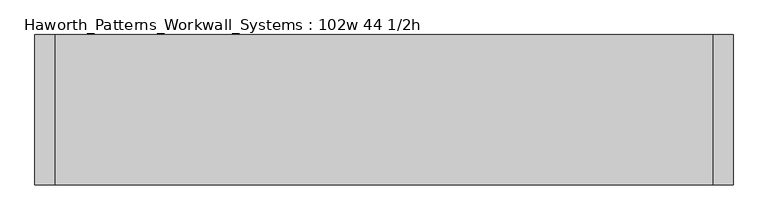
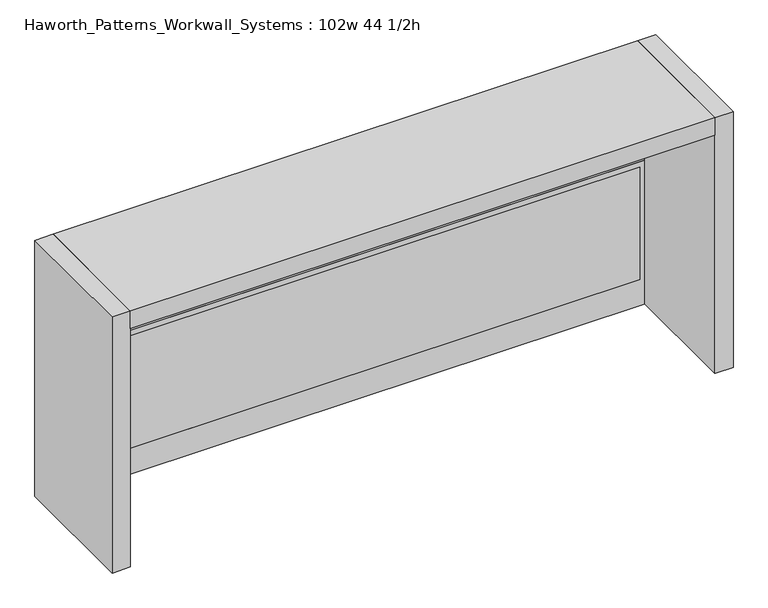
"""IFC4 building model written with IfcOpenShell, lengths in millimetres: furniture geometry, Haworth_Patterns_Workwall_Systems : 102w 44 1/2h."""

from ifc_helpers import new_model, si_unit, frame, origin, origin_with_axes, place, context, project, spatial, polyline, outline, extrude, source, transform, mapped, element, save


def haworth_patterns_workwall_systems_102w_44_1_2h_b9994f10(model_context):
    return source(origin(), model_context, "Body", "SweptSolid", [
        extrude(outline(polyline([(1054.1, 609.6), (1054.1, -1828.8), (635.0, -1828.8), (635.0, 609.6), (1054.1, 609.6)]), holes=[polyline([(1035.05, 590.55), (654.05, 590.55), (654.05, -1809.75), (1035.05, -1809.75), (1035.05, 590.55)])]), frame((0.0, 330.2, 0.0), z_axis=(0.0, 1.0, 0.0), x_axis=(0.0, 0.0, 1.0)), (0.0, 0.0, 1.0), 25.4),
        extrude(outline(polyline([(590.55, 330.2), (-1809.75, 330.2), (-1809.75, 355.6), (590.55, 355.6), (590.55, 330.2)])), frame((0.0, 0.0, 114.3), z_axis=(0.0, 0.0, 1.0), x_axis=(1.0, 0.0, 0.0)), (0.0, 0.0, 1.0), 495.3),
        extrude(outline(polyline([(635.0, 609.6), (635.0, -1828.8), (0.0, -1828.8), (0.0, 609.6), (635.0, 609.6)]), holes=[polyline([(609.6, 590.55), (114.3, 590.55), (114.3, -1809.75), (609.6, -1809.75), (609.6, 590.55)])]), frame((0.0, 330.2, 0.0), z_axis=(0.0, 1.0, 0.0), x_axis=(0.0, 0.0, 1.0)), (0.0, 0.0, 1.0), 25.4),
        extrude(outline(polyline([(609.6, -177.8), (-1828.8, -177.8), (-1828.8, 381.0), (609.6, 381.0), (609.6, -177.8)])), frame((0.0, 0.0, 1054.1), z_axis=(0.0, 0.0, 1.0), x_axis=(1.0, 0.0, 0.0)), (0.0, 0.0, 1.0), 76.2),
        extrude(outline(polyline([(685.8, 381.0), (685.8, -177.8), (609.6, -177.8), (609.6, 381.0), (685.8, 381.0)])), origin_with_axes(), (0.0, 0.0, 1.0), 1130.3),
        extrude(outline(polyline([(-1828.8, 381.0), (-1828.8, -177.8), (-1905.0, -177.8), (-1905.0, 381.0), (-1828.8, 381.0)])), origin_with_axes(), (0.0, 0.0, 1.0), 1130.3),
    ])


if __name__ == "__main__":
    model = new_model("IFC4")
    model_context = context("Model", 3, world=origin())
    ifc_project = project(units=[si_unit("LENGTHUNIT", "METRE", prefix="MILLI")], contexts=[model_context])
    site = spatial("IfcSite", under=ifc_project)
    building = spatial("IfcBuilding", under=site)
    placement = place(None, origin())
    haworth_patterns_workwall_systems_102w_44_1_2h_shape = haworth_patterns_workwall_systems_102w_44_1_2h_b9994f10(model_context)
    element("IfcFurniture", 1, ObjectType="Haworth_Patterns_Workwall_Systems : 102w 44 1/2h", at=placement, inside=building, context=model_context, shape_type="MappedRepresentation", body=[
        mapped(haworth_patterns_workwall_systems_102w_44_1_2h_shape, transform((0.0, 0.0, 0.0), x_axis=(1.0, 0.0, 0.0), y_axis=(0.0, 1.0, 0.0), z_axis=(0.0, 0.0, 1.0))),
    ])
    save(model, "model.ifc")
